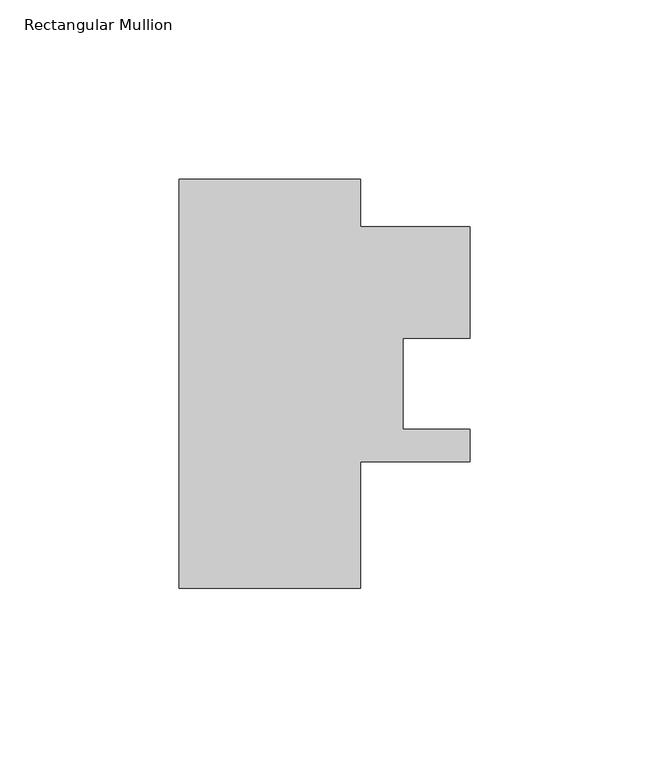
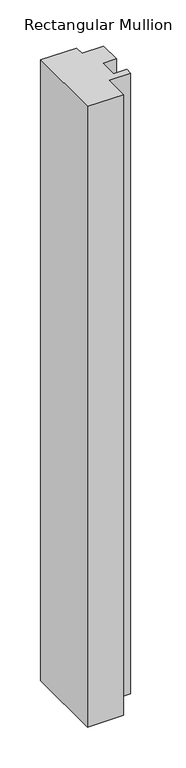
"""IFC4 building model written with IfcOpenShell, lengths in millimetres: member geometry, Rectangular Mullion."""

from ifc_helpers import new_model, si_unit, frame, origin, place, context, project, spatial, polyline, outline, extrude, source, transform, mapped, element, save


def rectangular_mullion_a7973deb(model_context):
    return source(origin(), model_context, "Body", "SweptSolid", [
        extrude(outline(polyline([(29.7344027, 57.15), (29.7344027, 43.8725318), (60.2073036, 43.8725318), (60.2073036, 12.7), (41.5516622, 12.7), (41.5516622, -12.7), (60.2073036, -12.7), (60.2073036, -21.8164553), (29.7344027, -21.8164553), (29.7344027, -57.15), (-21.0655973, -57.15), (-21.0655973, 57.15), (29.7344027, 57.15)])), frame((0.0, 0.0, -925.9405973), z_axis=(0.0, 0.0, 1.0), x_axis=(1.0, 0.0, 0.0)), (0.0, 0.0, 1.0), 925.9405973),
    ])


if __name__ == "__main__":
    model = new_model("IFC4")
    model_context = context("Model", 3, world=origin())
    ifc_project = project(units=[si_unit("LENGTHUNIT", "METRE", prefix="MILLI")], contexts=[model_context])
    site = spatial("IfcSite", under=ifc_project)
    building = spatial("IfcBuilding", under=site)
    placement = place(None, origin())
    rectangular_mullion_shape = rectangular_mullion_a7973deb(model_context)
    element("IfcMember", 1, ObjectType="Rectangular Mullion", at=placement, inside=building, context=model_context, shape_type="MappedRepresentation", body=[
        mapped(rectangular_mullion_shape, transform((0.0, 0.0, 0.0), x_axis=(1.0, 0.0, 0.0), y_axis=(0.0, 1.0, 0.0), z_axis=(0.0, 0.0, 1.0))),
    ])
    save(model, "model.ifc")
